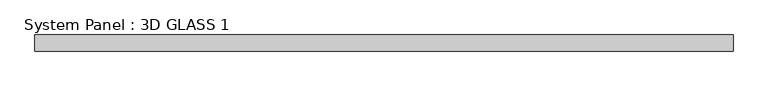
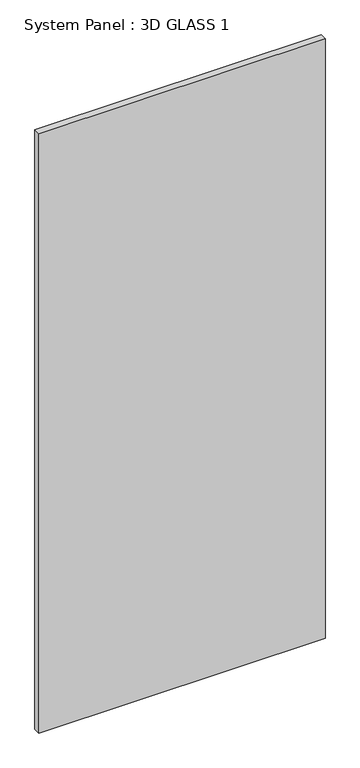
"""IFC4 building model written with IfcOpenShell, lengths in millimetres: plate geometry, System Panel : 3D GLASS 1."""

from ifc_helpers import new_model, si_unit, origin, origin_with_axes, place, context, project, spatial, polyline, outline, extrude, source, transform, mapped, element, save


def system_panel_3d_glass_1_146d2f59(model_context):
    return source(origin(), model_context, "Body", "SweptSolid", [
        extrude(outline(polyline([(534.9875, -12.7), (-534.9875, -12.7), (-534.9875, 12.7), (534.9875, 12.7), (534.9875, -12.7)])), origin_with_axes(), (0.0, 0.0, 1.0), 2369.3907666),
    ])


if __name__ == "__main__":
    model = new_model("IFC4")
    model_context = context("Model", 3, world=origin())
    ifc_project = project(units=[si_unit("LENGTHUNIT", "METRE", prefix="MILLI")], contexts=[model_context])
    site = spatial("IfcSite", under=ifc_project)
    building = spatial("IfcBuilding", under=site)
    placement = place(None, origin())
    system_panel_3d_glass_1_shape = system_panel_3d_glass_1_146d2f59(model_context)
    element("IfcPlate", 1, ObjectType="System Panel : 3D GLASS 1", at=placement, inside=building, context=model_context, shape_type="MappedRepresentation", body=[
        mapped(system_panel_3d_glass_1_shape, transform((0.0, 0.0, 0.0), x_axis=(1.0, 0.0, 0.0), y_axis=(0.0, 1.0, 0.0), z_axis=(0.0, 0.0, 1.0))),
    ])
    save(model, "model.ifc")
